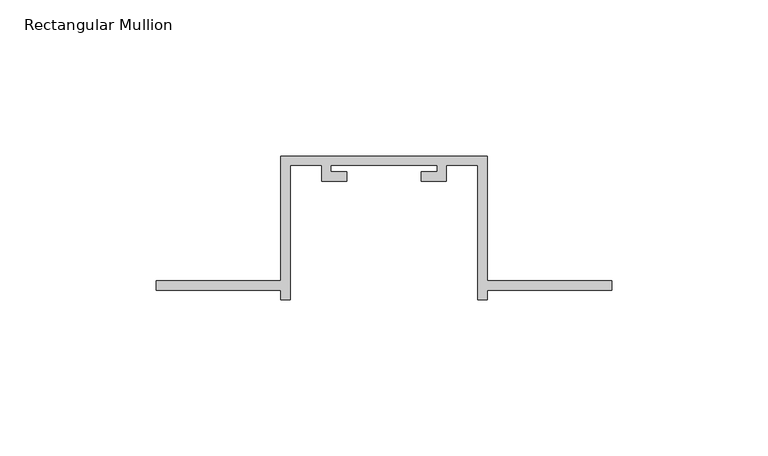
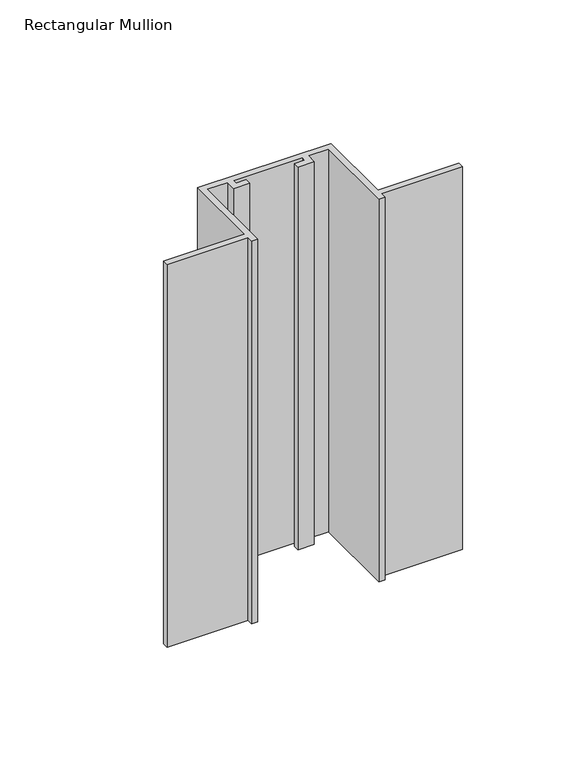
"""IFC4 building model written with IfcOpenShell, lengths in millimetres: member geometry, Rectangular Mullion."""

from ifc_helpers import new_model, si_unit, frame, origin, place, context, project, spatial, polyline, outline, extrude, source, transform, mapped, element, save


def rectangular_mullion_e153690f(model_context):
    return source(origin(), model_context, "Body", "SweptSolid", [
        extrude(outline(polyline([(-33.0, -132.0), (-73.0, -132.0), (-73.0, -129.0), (-33.0, -129.0), (-33.0, -89.0), (33.0, -89.0), (33.0, -129.0), (73.0, -129.0), (73.0, -132.0), (33.0, -132.0), (33.0, -135.0), (30.0, -135.0), (30.0, -92.0), (20.0, -92.0), (20.0, -97.0), (12.0, -97.0), (12.0, -94.0), (17.0, -94.0), (17.0, -92.0), (-17.0, -92.0), (-17.0, -94.0), (-12.0, -94.0), (-12.0, -97.0), (-20.0, -97.0), (-20.0, -92.0), (-30.0, -92.0), (-30.0, -135.0), (-33.0, -135.0), (-33.0, -132.0)])), frame((0.0, 0.0, -200.0), z_axis=(0.0, 0.0, 1.0), x_axis=(1.0, 0.0, 0.0)), (0.0, 0.0, 1.0), 200.0),
    ])


if __name__ == "__main__":
    model = new_model("IFC4")
    model_context = context("Model", 3, world=origin())
    ifc_project = project(units=[si_unit("LENGTHUNIT", "METRE", prefix="MILLI")], contexts=[model_context])
    site = spatial("IfcSite", under=ifc_project)
    building = spatial("IfcBuilding", under=site)
    placement = place(None, origin())
    rectangular_mullion_shape = rectangular_mullion_e153690f(model_context)
    element("IfcMember", 1, ObjectType="Rectangular Mullion", at=placement, inside=building, context=model_context, shape_type="MappedRepresentation", body=[
        mapped(rectangular_mullion_shape, transform((0.0, 0.0, 0.0), x_axis=(1.0, 0.0, 0.0), y_axis=(0.0, 1.0, 0.0), z_axis=(0.0, 0.0, 1.0))),
    ])
    save(model, "model.ifc")
